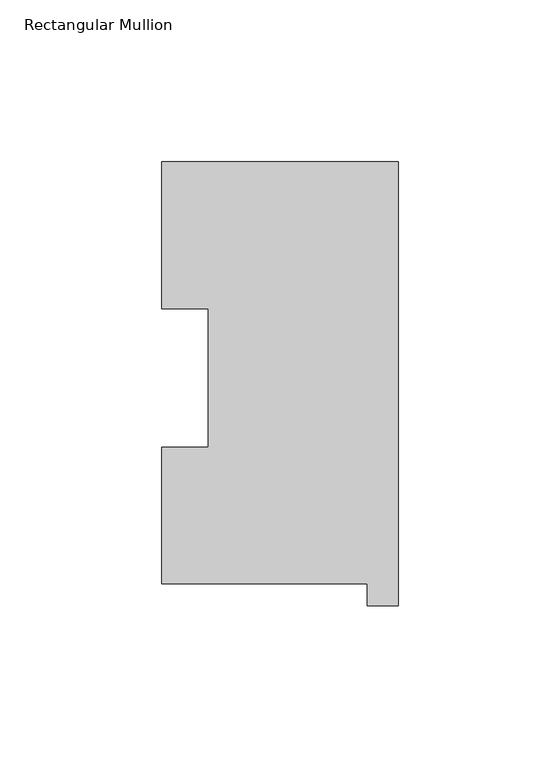
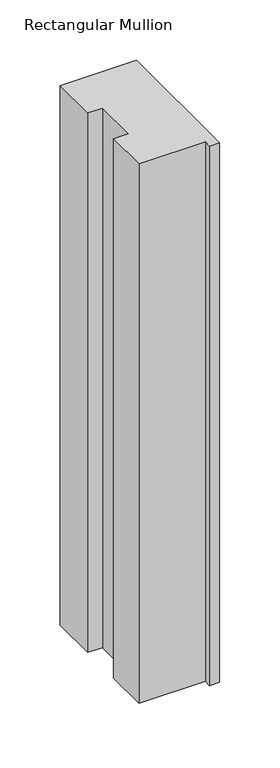
"""IFC4 building model written with IfcOpenShell, lengths in millimetres: member geometry, Rectangular Mullion."""

from ifc_helpers import new_model, si_unit, frame, origin, place, context, project, spatial, polyline, outline, extrude, source, transform, mapped, element, save


def rectangular_mullion_90d19c4b(model_context):
    return source(origin(), model_context, "Body", "SweptSolid", [
        extrude(outline(polyline([(-73.025, 137.1925438), (0.0, 137.1925438), (0.0, -0.0182562), (-9.525, -0.0182562), (-9.525, 6.8905438), (-73.025, 6.8905438), (-73.025, 48.9275438), (-58.7502, 48.9275438), (-58.7502, 91.7773437), (-73.025, 91.7773438), (-73.025, 137.1925438)])), frame((0.0, 0.0, -545.0416667), z_axis=(0.0, 0.0, 1.0), x_axis=(1.0, 0.0, 0.0)), (0.0, 0.0, 1.0), 545.0416667),
    ])


if __name__ == "__main__":
    model = new_model("IFC4")
    model_context = context("Model", 3, world=origin())
    ifc_project = project(units=[si_unit("LENGTHUNIT", "METRE", prefix="MILLI")], contexts=[model_context])
    site = spatial("IfcSite", under=ifc_project)
    building = spatial("IfcBuilding", under=site)
    placement = place(None, origin())
    rectangular_mullion_shape = rectangular_mullion_90d19c4b(model_context)
    element("IfcMember", 1, ObjectType="Rectangular Mullion", at=placement, inside=building, context=model_context, shape_type="MappedRepresentation", body=[
        mapped(rectangular_mullion_shape, transform((0.0, 0.0, 0.0), x_axis=(1.0, 0.0, 0.0), y_axis=(0.0, 1.0, 0.0), z_axis=(0.0, 0.0, 1.0))),
    ])
    save(model, "model.ifc")
